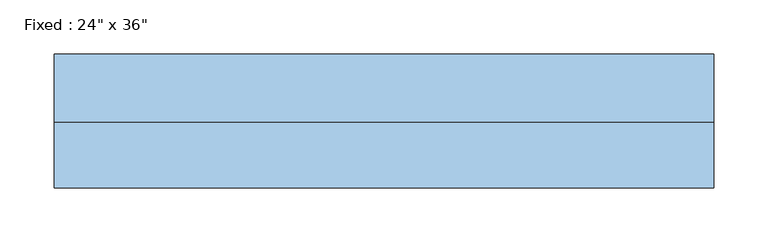
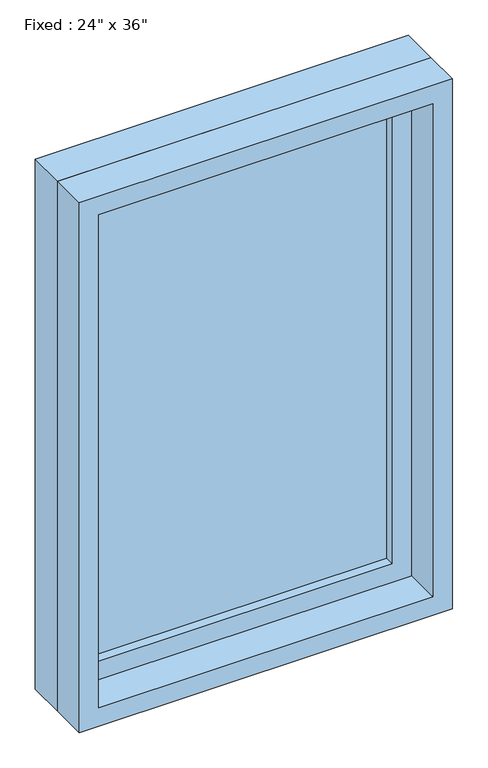
"""IFC4 building model written with IfcOpenShell, lengths in millimetres: window geometry."""

from ifc_helpers import new_model, si_unit, frame, origin, place, context, project, spatial, polyline, outline, extrude, source, transform, mapped, element, save


def window_8da04c30(model_context):
    return source(origin(), model_context, "Body", "SweptSolid", [
        extrude(outline(polyline([(203.2, 14.2875), (-279.4, 14.2875), (-279.4, 26.9875), (203.2, 26.9875), (203.2, 14.2875)])), frame((0.0, 0.0, 977.9), z_axis=(0.0, 0.0, 1.0), x_axis=(1.0, 0.0, 0.0)), (0.0, 0.0, 1.0), 787.4),
        extrude(outline(polyline([(1809.75, -323.85), (933.45, -323.85), (933.45, 247.65), (1809.75, 247.65), (1809.75, -323.85)]), holes=[polyline([(1765.3, -279.4), (1765.3, 203.2), (977.9, 203.2), (977.9, -279.4), (1765.3, -279.4)])]), frame((0.0, -1.5875, 0.0), z_axis=(0.0, 1.0, 0.0), x_axis=(0.0, 0.0, 1.0)), (0.0, 0.0, 1.0), 44.45),
        extrude(outline(polyline([(1828.8, -342.9), (914.4, -342.9), (914.4, 266.7), (1828.8, 266.7), (1828.8, -342.9)]), holes=[polyline([(1797.05, -311.15), (1797.05, 234.95), (946.15, 234.95), (946.15, -311.15), (1797.05, -311.15)])]), frame((0.0, -61.9125, 0.0), z_axis=(0.0, 1.0, 0.0), x_axis=(0.0, 0.0, 1.0)), (0.0, 0.0, 1.0), 60.325),
        extrude(outline(polyline([(1828.8, 266.7), (1828.8, -342.9), (914.4, -342.9), (914.4, 266.7), (1828.8, 266.7)]), holes=[polyline([(1809.75, 247.65), (933.45, 247.65), (933.45, -323.85), (1809.75, -323.85), (1809.75, 247.65)])]), frame((0.0, -1.5875, 0.0), z_axis=(0.0, 1.0, 0.0), x_axis=(0.0, 0.0, 1.0)), (0.0, 0.0, 1.0), 63.5),
    ])


if __name__ == "__main__":
    model = new_model("IFC4")
    model_context = context("Model", 3, world=origin())
    ifc_project = project(units=[si_unit("LENGTHUNIT", "METRE", prefix="MILLI")], contexts=[model_context])
    site = spatial("IfcSite", under=ifc_project)
    building = spatial("IfcBuilding", under=site)
    placement = place(None, origin())
    window_shape = window_8da04c30(model_context)
    element("IfcWindow", 1, ObjectType="Fixed : 24\" x 36\"", at=placement, inside=building, context=model_context, shape_type="MappedRepresentation", body=[
        mapped(window_shape, transform((0.0, 0.0, 0.0), x_axis=(1.0, 0.0, 0.0), y_axis=(0.0, 1.0, 0.0), z_axis=(0.0, 0.0, 1.0))),
    ])
    save(model, "model.ifc")
